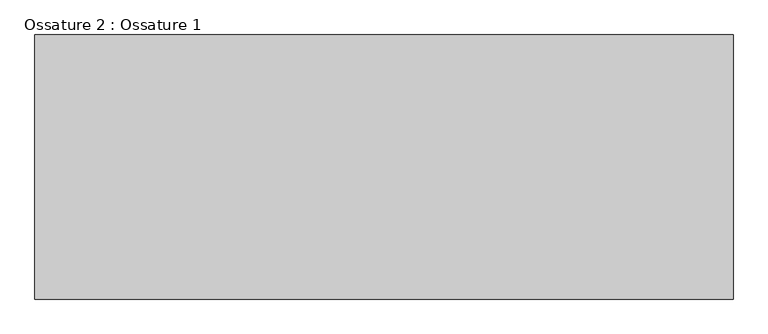
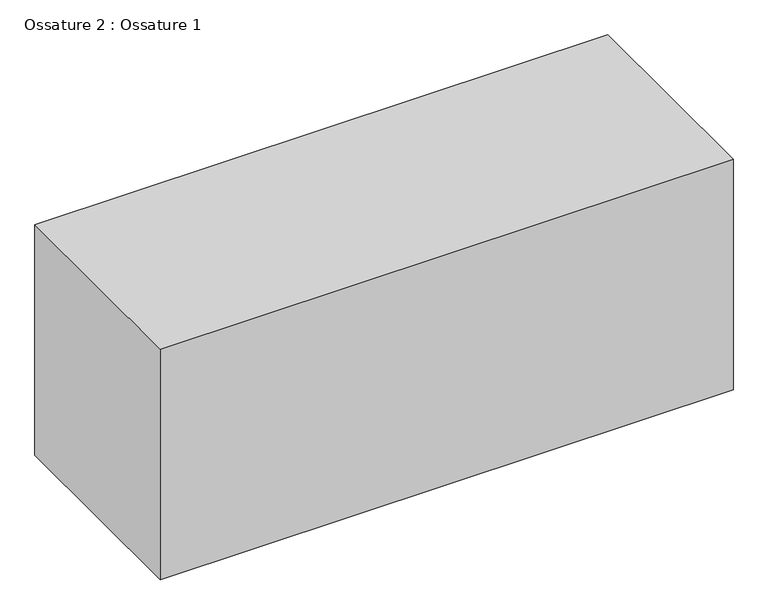
"""IFC4 building model written with IfcOpenShell, lengths in millimetres: beam geometry, Ossature 2 : Ossature 1."""

from ifc_helpers import new_model, si_unit, origin, origin_with_axes, place, context, project, spatial, polyline, outline, extrude, source, transform, mapped, element, save


def ossature_2_ossature_1_f7f33fe9(model_context):
    return source(origin(), model_context, "Body", "SweptSolid", [
        extrude(outline(polyline([(-2282.3378366, 16491.4735948), (-2282.3378366, 17291.4735948), (-167.6091146, 17291.4735948), (-167.6091146, 16491.4735948), (-2282.3378366, 16491.4735948)])), origin_with_axes(), (0.0, 0.0, 1.0), 900.0),
    ])


if __name__ == "__main__":
    model = new_model("IFC4")
    model_context = context("Model", 3, world=origin())
    ifc_project = project(units=[si_unit("LENGTHUNIT", "METRE", prefix="MILLI")], contexts=[model_context])
    site = spatial("IfcSite", under=ifc_project)
    building = spatial("IfcBuilding", under=site)
    placement = place(None, origin())
    ossature_2_ossature_1_shape = ossature_2_ossature_1_f7f33fe9(model_context)
    element("IfcBeam", 1, ObjectType="Ossature 2 : Ossature 1", at=placement, inside=building, context=model_context, shape_type="MappedRepresentation", body=[
        mapped(ossature_2_ossature_1_shape, transform((0.0, 0.0, 0.0), x_axis=(1.0, 0.0, 0.0), y_axis=(0.0, 1.0, 0.0), z_axis=(0.0, 0.0, 1.0))),
    ])
    save(model, "model.ifc")
